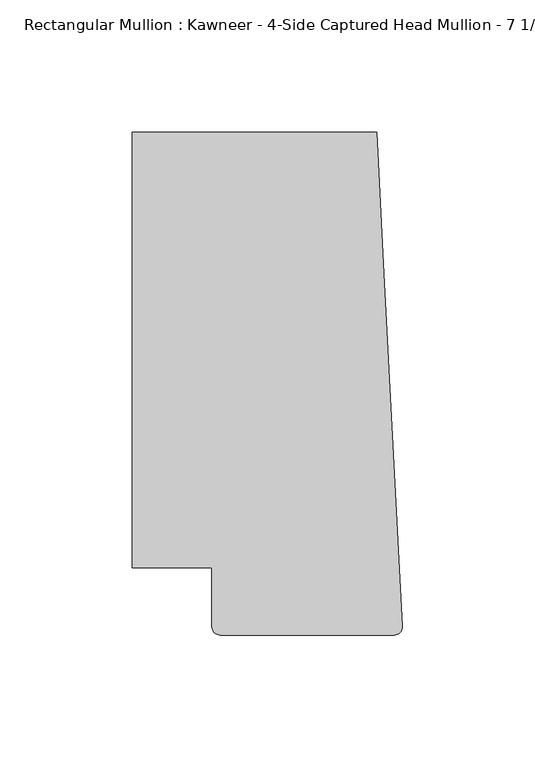
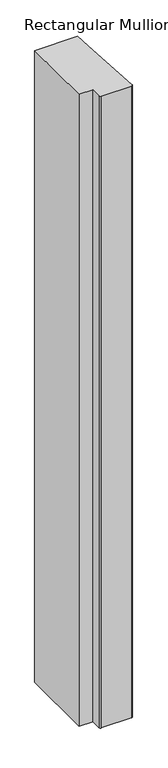
"""IFC4 building model written with IfcOpenShell, lengths in millimetres: member geometry."""

from ifc_helpers import new_model, si_unit, frame, origin, place, context, project, spatial, circle_curve, source, transform, mapped, element, save
from ifc_brep_helpers import plane_surface, cylinder_surface, advanced_brep


def member_19879231(model_context):
    return source(origin(), model_context, "Body", "AdvancedBrep", [
        advanced_brep(
        [(-9.7860662, 151.892, 0.0), (-102.08978, 151.892, 0.0), (-102.08978, -12.7, 0.0), (-71.9739395, -12.7, 0.0), (-71.9739395, -34.9099677, 0.0), (-68.798975, -38.0999944, 0.0), (-3.175, -38.0999944, 0.0), (-0.006635, -34.7198406, 0.0), (-6.9873394, 98.4891117, 0.0), (-9.7860662, 151.892, -1437.1931847), (-6.9873394, 98.4891117, -1437.1931847), (-0.0041105, -34.7588278, -1437.1931847), (-3.175, -38.0999944, -1437.1931847), (-68.798975, -38.0999944, -1437.1931847), (-71.9739395, -34.9099677, -1437.1931847), (-71.9739395, -12.7, -1437.1931847), (-102.08978, -12.7, -1437.1931847), (-102.08978, 151.892, -1437.1931847)],
        [
            (0, 1),
            (1, 2),
            (2, 3),
            (3, 4),
            (4, 5, circle_curve(frame((-68.798975, -34.9249944, 0.0), z_axis=(0.0, 0.0, 1.0), x_axis=(-0.9999888001458095, 0.004732819766726053, 0.0)), 3.175)),
            (5, 6),
            (6, 7, circle_curve(frame((-3.175, -34.9249944, 0.0), z_axis=(0.0, 0.0, 1.0), x_axis=(0.0, -1.0, 0.0)), 3.175)),
            (7, 8),
            (8, 0),
            (9, 10),
            (10, 11),
            (11, 12, circle_curve(frame((-3.175, -34.9249944, -1437.1931847), z_axis=(0.0, 0.0, -1.0), x_axis=(0.0, -1.0, 0.0)), 3.175)),
            (12, 13),
            (13, 14, circle_curve(frame((-68.798975, -34.9249944, -1437.1931847), z_axis=(0.0, 0.0, -1.0), x_axis=(-0.9999888001458095, 0.004732819766726053, 0.0)), 3.175)),
            (14, 15),
            (15, 16),
            (16, 17),
            (17, 9),
            (0, 9),
            (17, 1),
            (16, 2),
            (15, 3),
            (14, 4),
            (13, 5),
            (12, 6),
            (11, 7),
            (10, 8),
        ],
        [
            plane_surface(frame((0.0, -183.0123025, 0.0), z_axis=(0.0, 0.0, 1.0), x_axis=(-1.0, 0.0, 0.0))),
            plane_surface(frame((0.0, -183.0123025, -1437.1931847), z_axis=(0.0, 0.0, -1.0), x_axis=(-1.0, 0.0, 0.0))),
            plane_surface(frame((-9.7860662, 151.892, 0.0), z_axis=(0.0, 1.0, 0.0), x_axis=(0.0, 0.0, -1.0))),
            plane_surface(frame((-102.08978, 151.892, 0.0), z_axis=(-1.0, 0.0, 0.0), x_axis=(0.0, 0.0, -1.0))),
            plane_surface(frame((-102.08978, -12.7, 0.0), z_axis=(0.0, -1.0, 0.0), x_axis=(0.0, 0.0, -1.0))),
            plane_surface(frame((-71.9739395, -12.7, 0.0), z_axis=(-1.0, 0.0, 0.0), x_axis=(0.0, 0.0, -1.0))),
            cylinder_surface(frame((-68.798975, -34.9249944, 0.0), z_axis=(0.0, 0.0, 1.0), x_axis=(-0.9999888001458095, 0.004732819766726053, 0.0)), 3.175),
            plane_surface(frame((-68.798975, -38.0999944, 0.0), z_axis=(0.0, -1.0, 0.0), x_axis=(0.0, 0.0, -1.0))),
            cylinder_surface(frame((-3.175, -34.9249944, 0.0), z_axis=(0.0, 0.0, 1.0), x_axis=(0.0, -1.0, 0.0)), 3.175),
            plane_surface(frame((-0.0041105, -34.7588278, 0.0), z_axis=(0.9986295346400468, 0.05233595842825238, 0.0), x_axis=(0.0, 0.0, -1.0))),
            plane_surface(frame((-6.9873394, 98.4891117, 0.0), z_axis=(0.9986295347545738, 0.052335956242944896, 0.0), x_axis=(0.0, 0.0, -1.0))),
        ],
        [
            (0, [[1, 2, 3, 4, 5, 6, 7, 8, 9]]),
            (1, [[10, 11, 12, 13, 14, 15, 16, 17, 18]]),
            (2, [[-1, 19, -18, 20]]),
            (3, [[-2, -20, -17, 21]]),
            (4, [[-3, -21, -16, 22]]),
            (5, [[-4, -22, -15, 23]]),
            (6, [[-5, -23, -14, 24]]),
            (7, [[-6, -24, -13, 25]]),
            (8, [[-7, -25, -12, 26]]),
            (9, [[-8, -26, -11, 27]]),
            (10, [[-9, -27, -10, -19]]),
        ],
    ),
    ])


if __name__ == "__main__":
    model = new_model("IFC4")
    model_context = context("Model", 3, world=origin())
    ifc_project = project(units=[si_unit("LENGTHUNIT", "METRE", prefix="MILLI")], contexts=[model_context])
    site = spatial("IfcSite", under=ifc_project)
    building = spatial("IfcBuilding", under=site)
    placement = place(None, origin())
    member_shape = member_19879231(model_context)
    element("IfcMember", 1, ObjectType="Rectangular Mullion : Kawneer - 4-Side Captured Head Mullion - 7 1/2\"", at=placement, inside=building, context=model_context, shape_type="MappedRepresentation", body=[
        mapped(member_shape, transform((0.0, 0.0, 0.0), x_axis=(1.0, 0.0, 0.0), y_axis=(0.0, 1.0, 0.0), z_axis=(0.0, 0.0, 1.0))),
    ])
    save(model, "model.ifc")
